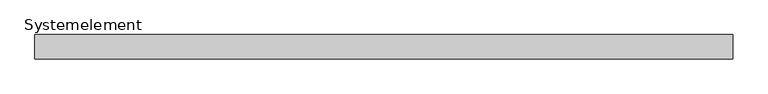
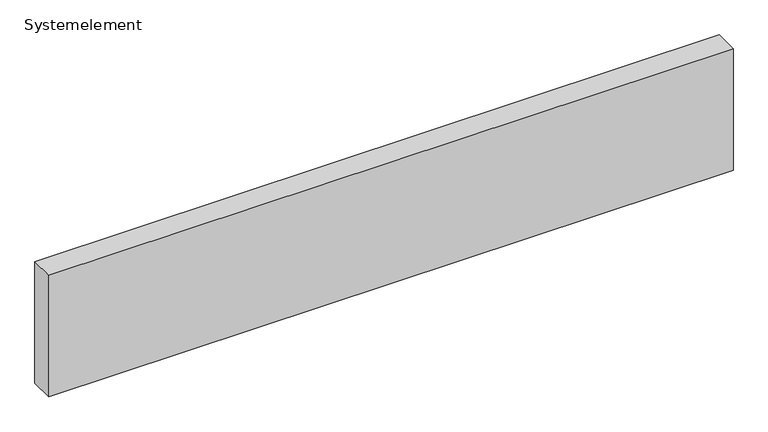
"""IFC4 building model written with IfcOpenShell, lengths in millimetres: plate geometry, Systemelement."""

from ifc_helpers import new_model, si_unit, origin, origin_with_axes, place, context, project, spatial, polyline, outline, extrude, source, transform, mapped, element, save


def systemelement_c43772ae(model_context):
    return source(origin(), model_context, "Body", "SweptSolid", [
        extrude(outline(polyline([(2000.0, -140.0), (-2000.0, -140.0), (-2000.0, 0.0), (2000.0, 0.0), (2000.0, -140.0)])), origin_with_axes(), (0.0, 0.0, 1.0), 751.6147161),
    ])


if __name__ == "__main__":
    model = new_model("IFC4")
    model_context = context("Model", 3, world=origin())
    ifc_project = project(units=[si_unit("LENGTHUNIT", "METRE", prefix="MILLI")], contexts=[model_context])
    site = spatial("IfcSite", under=ifc_project)
    building = spatial("IfcBuilding", under=site)
    placement = place(None, origin())
    systemelement_shape = systemelement_c43772ae(model_context)
    element("IfcPlate", 1, ObjectType="Systemelement", at=placement, inside=building, context=model_context, shape_type="MappedRepresentation", body=[
        mapped(systemelement_shape, transform((0.0, 0.0, 0.0), x_axis=(1.0, 0.0, 0.0), y_axis=(0.0, 1.0, 0.0), z_axis=(0.0, 0.0, 1.0))),
    ])
    save(model, "model.ifc")
